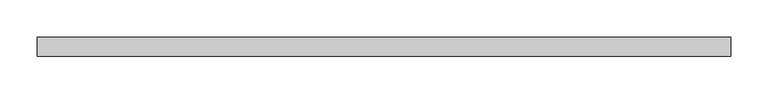
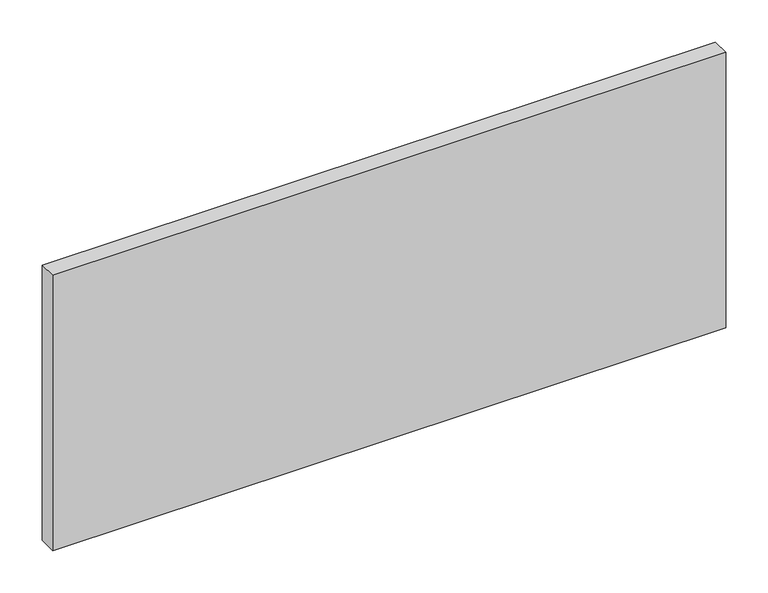
"""IFC4 building model written with IfcOpenShell, lengths in millimetres: plate geometry."""

from ifc_helpers import new_model, si_unit, origin, origin_with_axes, place, context, project, spatial, polyline, outline, extrude, source, transform, mapped, element, save


def plate_727ba623(model_context):
    return source(origin(), model_context, "Body", "SweptSolid", [
        extrude(outline(polyline([(462.5, -49.5), (-462.5, -49.5), (-462.5, -24.5), (462.5, -24.5), (462.5, -49.5)])), origin_with_axes(), (0.0, 0.0, 1.0), 400.0),
    ])


if __name__ == "__main__":
    model = new_model("IFC4")
    model_context = context("Model", 3, world=origin())
    ifc_project = project(units=[si_unit("LENGTHUNIT", "METRE", prefix="MILLI")], contexts=[model_context])
    site = spatial("IfcSite", under=ifc_project)
    building = spatial("IfcBuilding", under=site)
    placement = place(None, origin())
    plate_shape = plate_727ba623(model_context)
    element("IfcPlate", 1, at=placement, inside=building, context=model_context, shape_type="MappedRepresentation", body=[
        mapped(plate_shape, transform((0.0, 0.0, 0.0), x_axis=(1.0, 0.0, 0.0), y_axis=(0.0, 1.0, 0.0), z_axis=(0.0, 0.0, 1.0))),
    ])
    save(model, "model.ifc")
